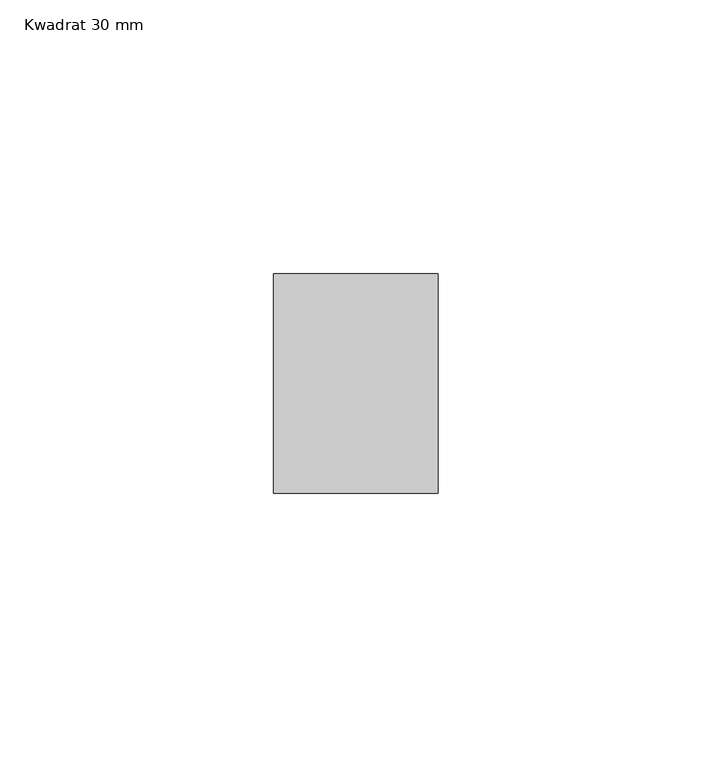
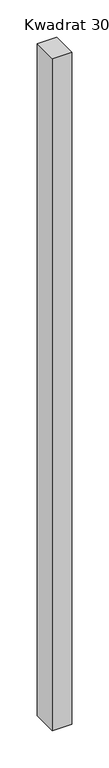
"""IFC4 building model written with IfcOpenShell, lengths in millimetres: member geometry, Kwadrat 30 mm."""

from ifc_helpers import new_model, si_unit, frame, origin, place, context, project, spatial, polyline, outline, extrude, source, transform, mapped, element, save


def kwadrat_30_mm_e4d96e13(model_context):
    return source(origin(), model_context, "Body", "SweptSolid", [
        extrude(outline(polyline([(0.0, 20.0), (0.0, -20.0), (-30.0, -20.0), (-30.0, 20.0), (0.0, 20.0)])), frame((0.0, 0.0, -1100.0), z_axis=(0.0, 0.0, 1.0), x_axis=(1.0, 0.0, 0.0)), (0.0, 0.0, 1.0), 1100.0),
    ])


if __name__ == "__main__":
    model = new_model("IFC4")
    model_context = context("Model", 3, world=origin())
    ifc_project = project(units=[si_unit("LENGTHUNIT", "METRE", prefix="MILLI")], contexts=[model_context])
    site = spatial("IfcSite", under=ifc_project)
    building = spatial("IfcBuilding", under=site)
    placement = place(None, origin())
    kwadrat_30_mm_shape = kwadrat_30_mm_e4d96e13(model_context)
    element("IfcMember", 1, ObjectType="Kwadrat 30 mm", at=placement, inside=building, context=model_context, shape_type="MappedRepresentation", body=[
        mapped(kwadrat_30_mm_shape, transform((0.0, 0.0, 0.0), x_axis=(1.0, 0.0, 0.0), y_axis=(0.0, 1.0, 0.0), z_axis=(0.0, 0.0, 1.0))),
    ])
    save(model, "model.ifc")
